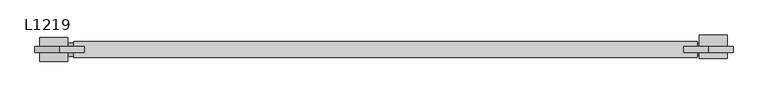
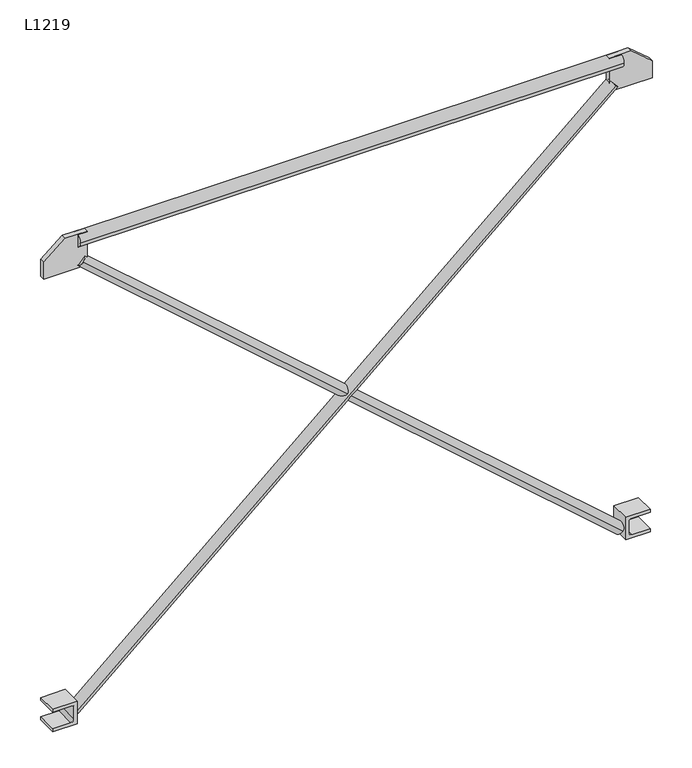
"""IFC4 building model written with IfcOpenShell, lengths in millimetres: proxy geometry, L1219."""

from ifc_helpers import new_model, si_unit, point, frame, frame_2d, origin, place, context, project, spatial, polyline, circle_curve, trimmed, segment, composite_curve, outline, extrude, source, transform, mapped, element, save


def l1219_1f1aaceb(model_context):
    return source(origin(), model_context, "Body", "SweptSolid", [
        extrude(outline(polyline([(0.0, 97.948117), (69.6, 97.948117), (69.6, 55.848117), (34.8, 13.748117), (0.0, 13.748117), (0.0, 97.948117)])), frame((0.0, -5.0, 0.0), z_axis=(0.0, 1.0, 0.0), x_axis=(0.0, 0.0, 1.0)), (0.0, 0.0, 1.0), 10.0),
        extrude(outline(composite_curve([segment(polyline([(-925.0, 22.28005), (-925.0, 69.8), (-879.0, 69.8), (-879.0, 22.28005), (-885.0, 22.28005), (-885.0, 60.8)]), True, "CONTINUOUS"), segment(trimmed(circle_curve(frame_2d((-888.0, 60.8)), 3.0), [point((-885.0, 60.8))], [point((-888.0, 63.8))], True, "CARTESIAN"), True, "CONTINUOUS"), segment(polyline([(-888.0, 63.8), (-913.0, 63.8)]), True, "CONTINUOUS"), segment(trimmed(circle_curve(frame_2d((-913.0, 57.8)), 6.0), [point((-913.0, 63.8))], [point((-919.0, 57.8))], True, "CARTESIAN"), True, "CONTINUOUS"), segment(polyline([(-919.0, 57.8), (-919.0, 22.28005), (-925.0, 22.28005)]), True, "CONTINUOUS")], self_intersect=False)), frame((0.0, -20.0, 0.0), z_axis=(0.0, 1.0, 0.0), x_axis=(0.0, 0.0, 1.0)), (0.0, 0.0, 1.0), 40.0),
        extrude(outline(polyline([(0.0, 1115.25424), (0.0, 1199.45424), (34.8, 1199.45424), (69.6, 1157.35424), (69.6, 1115.25424), (0.0, 1115.25424)])), frame((0.0, -5.0, 0.0), z_axis=(0.0, 1.0, 0.0), x_axis=(0.0, 0.0, 1.0)), (0.0, 0.0, 1.0), 10.0),
        extrude(outline(composite_curve([segment(polyline([(-925.0, 1189.421064), (-919.0, 1189.421064), (-919.0, 1153.901114)]), True, "CONTINUOUS"), segment(trimmed(circle_curve(frame_2d((-913.0, 1153.901114)), 6.0), [point((-919.0, 1153.901114))], [point((-913.0, 1147.901114))], True, "CARTESIAN"), True, "CONTINUOUS"), segment(polyline([(-913.0, 1147.901114), (-888.0, 1147.901114)]), True, "CONTINUOUS"), segment(trimmed(circle_curve(frame_2d((-888.0, 1150.901114)), 3.0), [point((-888.0, 1147.901114))], [point((-885.0, 1150.901114))], True, "CARTESIAN"), True, "CONTINUOUS"), segment(polyline([(-885.0, 1150.901114), (-885.0, 1189.421064), (-879.0, 1189.421064), (-879.0, 1141.901114), (-925.0, 1141.901114), (-925.0, 1189.421064)]), True, "CONTINUOUS")], self_intersect=False)), frame((0.0, -15.0, 0.0), z_axis=(0.0, 1.0, 0.0), x_axis=(0.0, 0.0, 1.0)), (0.0, 0.0, 1.0), 40.0),
        extrude(outline(composite_curve([segment(trimmed(circle_curve(frame_2d((0.0, -11.5415409)), 11.541541), [point((0.0, -23.0830819))], [point((0.0, 0.0))], False, "CARTESIAN"), True, "CONTINUOUS"), segment(trimmed(circle_curve(frame_2d((0.0, -11.5415409)), 11.541541), [point((0.0, 0.0))], [point((0.0, -23.0830819))], False, "CARTESIAN"), True, "CONTINUOUS")], self_intersect=False)), frame((73.9182107, -11.8584525, -907.4774238), z_axis=(0.7520888715011852, 0.0, 0.6590617037607889), x_axis=(-0.6590617037607889, 0.0, 0.7520888715011852)), (0.0, 0.0, 1.0), 1397.4412331),
        extrude(outline(composite_curve([segment(trimmed(circle_curve(frame_2d((0.0, -11.3)), 11.3), [point((0.0, -22.6))], [point((0.0, 0.0))], False, "CARTESIAN"), True, "CONTINUOUS"), segment(trimmed(circle_curve(frame_2d((0.0, -11.3)), 11.3), [point((0.0, 0.0))], [point((0.0, -22.6))], False, "CARTESIAN"), True, "CONTINUOUS")], self_intersect=False)), frame((1137.8341517, -11.3, -908.2595217), z_axis=(-0.7520888715011831, 0.0, 0.6590617037607913), x_axis=(-0.6590617037607913, 0.0, -0.7520888715011831)), (0.0, 0.0, 1.0), 1397.4412331),
        extrude(outline(composite_curve([segment(trimmed(circle_curve(frame_2d((0.0, 56.0)), 13.6), [point((-13.6, 56.0))], [point((13.6, 56.0))], False, "CARTESIAN"), True, "CONTINUOUS"), segment(trimmed(circle_curve(frame_2d((0.0, 56.0)), 13.6), [point((13.6, 56.0))], [point((-13.6, 56.0))], False, "CARTESIAN"), True, "CONTINUOUS")], self_intersect=False)), frame((80.0, 0.0, 0.0), z_axis=(1.0, 0.0, 0.0), x_axis=(0.0, 1.0, 0.0)), (0.0, 0.0, 1.0), 1059.0),
    ])


if __name__ == "__main__":
    model = new_model("IFC4")
    model_context = context("Model", 3, world=origin())
    ifc_project = project(units=[si_unit("LENGTHUNIT", "METRE", prefix="MILLI")], contexts=[model_context])
    site = spatial("IfcSite", under=ifc_project)
    building = spatial("IfcBuilding", under=site)
    placement = place(None, origin())
    l1219_shape = l1219_1f1aaceb(model_context)
    element("IfcBuildingElementProxy", 1, Name="L1219", ObjectType="L1219", at=placement, inside=building, context=model_context, shape_type="MappedRepresentation", body=[
        mapped(l1219_shape, transform((0.0, 0.0, 0.0), x_axis=(1.0, 0.0, 0.0), y_axis=(0.0, 1.0, 0.0), z_axis=(0.0, 0.0, 1.0))),
    ])
    save(model, "model.ifc")
